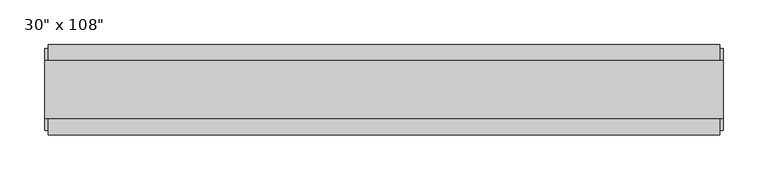
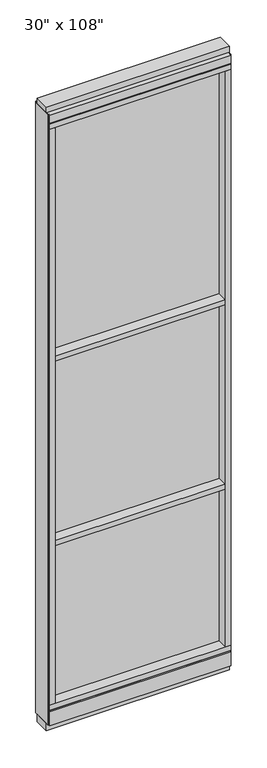
"""IFC4 building model written with IfcOpenShell, lengths in millimetres: furniture geometry."""

from ifc_helpers import new_model, si_unit, frame, origin, origin_with_axes, place, context, project, spatial, polyline, outline, extrude, source, transform, mapped, element, save


def furniture_3e5dc5b1(model_context):
    return source(origin(), model_context, "Body", "SweptSolid", [
        extrude(outline(polyline([(-414.8745229, -52.3332216), (-414.8745229, 43.2977784), (294.8014771, 43.2977784), (294.8014771, -52.3332216), (-414.8745229, -52.3332216)])), frame((0.0, 0.0, 1625.6), z_axis=(0.0, 0.0, 1.0), x_axis=(1.0, 0.0, 0.0)), (0.0, 0.0, 1.0), 22.225),
        extrude(outline(polyline([(-414.8745229, -52.3332216), (-414.8745229, 43.2977784), (294.8014771, 43.2977784), (294.8014771, -52.3332216), (-414.8745229, -52.3332216)])), frame((0.0, 0.0, 812.8), z_axis=(0.0, 0.0, 1.0), x_axis=(1.0, 0.0, 0.0)), (0.0, 0.0, 1.0), 22.225),
        extrude(outline(polyline([(294.8014771, -9.5977216), (-414.8745229, -9.5977216), (-414.8745229, 0.5622784), (294.8014771, 0.5622784), (294.8014771, -9.5977216)])), frame((0.0, 0.0, 120.523), z_axis=(0.0, 0.0, 1.0), x_axis=(1.0, 0.0, 0.0)), (0.0, 0.0, 1.0), 2533.777),
        extrude(outline(polyline([(-55.3177216, 93.345), (-50.3647216, 93.345), (-50.3647216, 98.298), (41.3292784, 98.298), (41.3292784, 93.345), (46.2822784, 93.345), (46.2822784, 31.75), (-55.3177216, 31.75), (-55.3177216, 93.345)])), frame((-437.0995229, 0.0, 0.0), z_axis=(1.0, 0.0, 0.0), x_axis=(0.0, 1.0, 0.0)), (0.0, 0.0, 1.0), 754.126),
        extrude(outline(polyline([(-437.0995229, -55.3177216), (-437.0995229, 46.2822784), (317.0264771, 46.2822784), (317.0264771, -55.3177216), (-437.0995229, -55.3177216)])), frame((0.0, 0.0, 98.298), z_axis=(0.0, 0.0, 1.0), x_axis=(1.0, 0.0, 0.0)), (0.0, 0.0, 1.0), 22.225),
        extrude(outline(polyline([(320.9634771, 27.9942784), (320.9634771, -37.0297216), (-441.0365229, -37.0297216), (-441.0365229, 27.9942784), (320.9634771, 27.9942784)])), origin_with_axes(), (0.0, 0.0, 1.0), 31.75),
        extrude(outline(polyline([(-441.0365229, -37.0297216), (-441.0365229, 27.9942784), (320.9634771, 27.9942784), (320.9634771, -37.0297216), (-441.0365229, -37.0297216)])), frame((0.0, 0.0, 2717.8), z_axis=(0.0, 0.0, 1.0), x_axis=(1.0, 0.0, 0.0)), (0.0, 0.0, 1.0), 25.4),
        extrude(outline(polyline([(-55.3177216, 2681.478), (-55.3177216, 2717.8), (46.2822784, 2717.8), (46.2822784, 2681.478), (41.3292784, 2681.478), (41.3292784, 2676.525), (-50.3647216, 2676.525), (-50.3647216, 2681.478), (-55.3177216, 2681.478)])), frame((-437.0995229, 0.0, 0.0), z_axis=(1.0, 0.0, 0.0), x_axis=(0.0, 1.0, 0.0)), (0.0, 0.0, 1.0), 754.126),
        extrude(outline(polyline([(317.0264771, 46.2822784), (317.0264771, -55.3177216), (-437.0995229, -55.3177216), (-437.0995229, 46.2822784), (317.0264771, 46.2822784)])), frame((0.0, 0.0, 2654.3), z_axis=(0.0, 0.0, 1.0), x_axis=(1.0, 0.0, 0.0)), (0.0, 0.0, 1.0), 22.225),
        extrude(outline(polyline([(294.8014771, -55.3177216), (294.8014771, 46.2822784), (317.0264771, 46.2822784), (317.0264771, -55.3177216), (294.8014771, -55.3177216)])), frame((0.0, 0.0, 120.523), z_axis=(0.0, 0.0, 1.0), x_axis=(1.0, 0.0, 0.0)), (0.0, 0.0, 1.0), 2533.777),
        extrude(outline(polyline([(-414.8745229, -55.3177216), (-437.0995229, -55.3177216), (-437.0995229, 46.2822784), (-414.8745229, 46.2822784), (-414.8745229, -55.3177216)])), frame((0.0, 0.0, 120.523), z_axis=(0.0, 0.0, 1.0), x_axis=(1.0, 0.0, 0.0)), (0.0, 0.0, 1.0), 2533.777),
        extrude(outline(polyline([(320.9634771, -50.3647216), (317.0264771, -50.3647216), (317.0264771, 41.3292784), (320.9634771, 41.3292784), (320.9634771, -50.3647216)])), frame((0.0, 0.0, 31.75), z_axis=(0.0, 0.0, 1.0), x_axis=(1.0, 0.0, 0.0)), (0.0, 0.0, 1.0), 2686.05),
        extrude(outline(polyline([(-441.0365229, -50.3647216), (-441.0365229, 41.3292784), (-437.0995229, 41.3292784), (-437.0995229, -50.3647216), (-441.0365229, -50.3647216)])), frame((0.0, 0.0, 31.75), z_axis=(0.0, 0.0, 1.0), x_axis=(1.0, 0.0, 0.0)), (0.0, 0.0, 1.0), 2686.05),
    ])


if __name__ == "__main__":
    model = new_model("IFC4")
    model_context = context("Model", 3, world=origin())
    ifc_project = project(units=[si_unit("LENGTHUNIT", "METRE", prefix="MILLI")], contexts=[model_context])
    site = spatial("IfcSite", under=ifc_project)
    building = spatial("IfcBuilding", under=site)
    placement = place(None, origin())
    furniture_shape = furniture_3e5dc5b1(model_context)
    element("IfcFurniture", 1, ObjectType="30\" x 108\"", at=placement, inside=building, context=model_context, shape_type="MappedRepresentation", body=[
        mapped(furniture_shape, transform((0.0, 0.0, 0.0), x_axis=(1.0, 0.0, 0.0), y_axis=(0.0, 1.0, 0.0), z_axis=(0.0, 0.0, 1.0))),
    ])
    save(model, "model.ifc")
